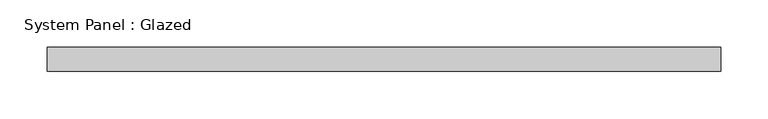
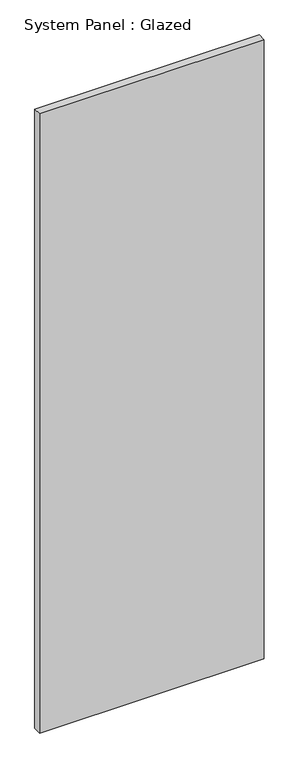
"""IFC4 building model written with IfcOpenShell, lengths in millimetres: plate geometry, System Panel : Glazed."""

from ifc_helpers import new_model, si_unit, origin, origin_with_axes, place, context, project, spatial, polyline, outline, extrude, source, transform, mapped, element, save


def system_panel_glazed_ce2c879d(model_context):
    return source(origin(), model_context, "Body", "SweptSolid", [
        extrude(outline(polyline([(356.6583333, -44.45), (-356.6583333, -44.45), (-356.6583333, -19.05), (356.6583333, -19.05), (356.6583333, -44.45)])), origin_with_axes(), (0.0, 0.0, 1.0), 2076.45),
    ])


if __name__ == "__main__":
    model = new_model("IFC4")
    model_context = context("Model", 3, world=origin())
    ifc_project = project(units=[si_unit("LENGTHUNIT", "METRE", prefix="MILLI")], contexts=[model_context])
    site = spatial("IfcSite", under=ifc_project)
    building = spatial("IfcBuilding", under=site)
    placement = place(None, origin())
    system_panel_glazed_shape = system_panel_glazed_ce2c879d(model_context)
    element("IfcPlate", 1, ObjectType="System Panel : Glazed", at=placement, inside=building, context=model_context, shape_type="MappedRepresentation", body=[
        mapped(system_panel_glazed_shape, transform((0.0, 0.0, 0.0), x_axis=(1.0, 0.0, 0.0), y_axis=(0.0, 1.0, 0.0), z_axis=(0.0, 0.0, 1.0))),
    ])
    save(model, "model.ifc")
